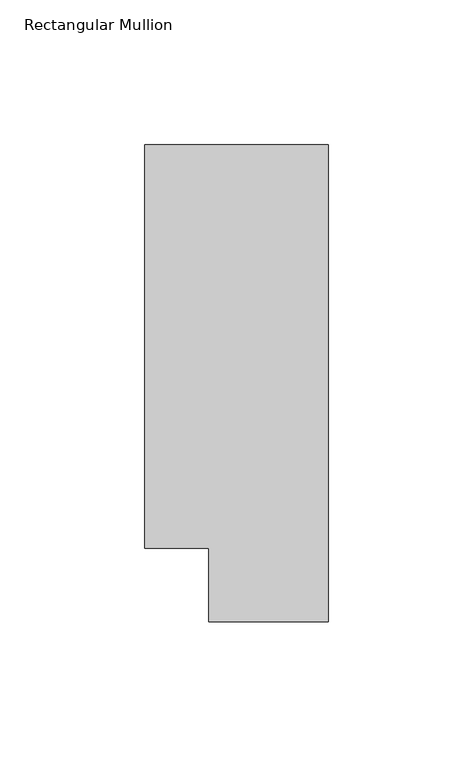
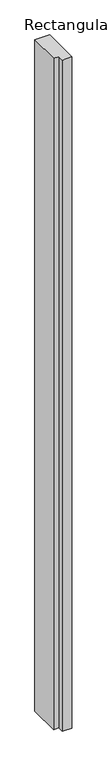
"""IFC4 building model written with IfcOpenShell, lengths in millimetres: member geometry, Rectangular Mullion."""

from ifc_helpers import new_model, si_unit, frame, origin, place, context, project, spatial, polyline, outline, extrude, source, transform, mapped, element, save


def rectangular_mullion_93ae6956(model_context):
    return source(origin(), model_context, "Body", "SweptSolid", [
        extrude(outline(polyline([(-63.5001132, -27.9416478), (0.0, -27.9416478), (0.0, -193.0416428), (-41.2751132, -193.0416428), (-41.2751132, -167.6416428), (-63.5001132, -167.6416428), (-63.5001132, -27.9416478)])), frame((0.0, 0.0, -3048.0), z_axis=(0.0, 0.0, 1.0), x_axis=(1.0, 0.0, 0.0)), (0.0, 0.0, 1.0), 3048.0),
    ])


if __name__ == "__main__":
    model = new_model("IFC4")
    model_context = context("Model", 3, world=origin())
    ifc_project = project(units=[si_unit("LENGTHUNIT", "METRE", prefix="MILLI")], contexts=[model_context])
    site = spatial("IfcSite", under=ifc_project)
    building = spatial("IfcBuilding", under=site)
    placement = place(None, origin())
    rectangular_mullion_shape = rectangular_mullion_93ae6956(model_context)
    element("IfcMember", 1, ObjectType="Rectangular Mullion", at=placement, inside=building, context=model_context, shape_type="MappedRepresentation", body=[
        mapped(rectangular_mullion_shape, transform((0.0, 0.0, 0.0), x_axis=(1.0, 0.0, 0.0), y_axis=(0.0, 1.0, 0.0), z_axis=(0.0, 0.0, 1.0))),
    ])
    save(model, "model.ifc")
